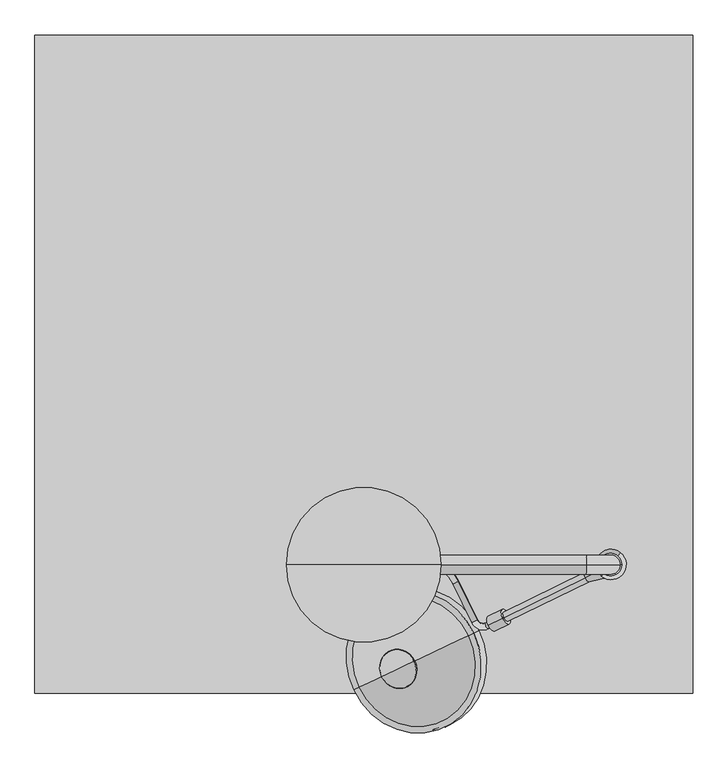
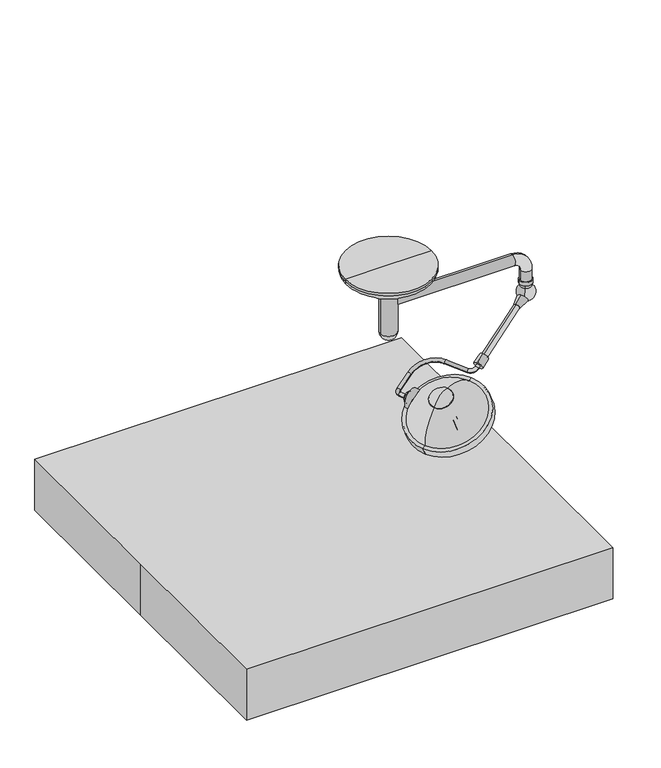
"""IFC4 building model written with IfcOpenShell, lengths in millimetres: proxy geometry."""

from ifc_helpers import new_model, si_unit, point, frame, frame_2d, origin, origin_with_axes, origin_2d, place, context, project, spatial, polyline, circle_curve, ellipse_curve, trimmed, segment, composite_curve, outline, extrude, source, transform, mapped, element, save
from ifc_brep_helpers import plane_surface, cylinder_surface, revolved_surface, advanced_brep


def specialty_equipment_4bb8b531(model_context):
    return source(origin(), model_context, "Body", "SolidModel", [
        advanced_brep(
        [(51.3241797, -908.0178384, 1699.7604265), (72.1798458, -897.8458503, 1710.0915373), (51.503984, -855.4540515, 1710.0915373), (30.6483179, -865.6260395, 1699.7604265), (56.3645035, -838.953373, 1715.2570926), (45.2298764, -816.1240043, 1715.2570926), (159.8794514, -788.4657596, 1766.5344952), (148.7448243, -765.6363908, 1766.5344952), (351.8212111, -864.410044, 1828.5211596), (372.6768772, -854.238056, 1838.8522704), (426.0821694, -1016.6675722, 1828.5211596), (446.9378356, -1006.4955842, 1838.8522704), (490.062756, -1041.9823337, 1849.1833811), (478.9281288, -1019.1529649, 1849.1833811), (557.8921303, -980.6396481, 1888.2991704), (569.0267574, -1003.4690168, 1888.2991704)],
        [
            (0, 1, circle_curve(frame((61.7520127, -902.9318443, 1704.9259819), z_axis=(0.4383711467890926, -0.8987940462991595, 0.0), x_axis=(0.8210892183528103, 0.4004719699107539, 0.4067366430758007)), 12.7)),
            (1, 0, circle_curve(frame((61.7520127, -902.9318443, 1704.9259819), z_axis=(0.4383711467890926, -0.8987940462991595, 0.0), x_axis=(0.8210892183528103, 0.4004719699107539, 0.4067366430758007)), 12.7)),
            (1, 2),
            (2, 3, circle_curve(frame((41.0761509, -860.5400455, 1704.9259819), z_axis=(0.4383711467890926, -0.8987940462991595, 0.0), x_axis=(0.8210892183528103, 0.4004719699107539, 0.4067366430758007)), 12.7)),
            (3, 0),
            (3, 2, circle_curve(frame((41.0761509, -860.5400455, 1704.9259819), z_axis=(0.4383711467890926, -0.8987940462991595, 0.0), x_axis=(0.8210892183528103, 0.4004719699107539, 0.4067366430758007)), 12.7)),
            (4, 5, circle_curve(frame((50.79719, -827.5386887, 1715.2570926), z_axis=(-0.8210892183528231, -0.4004719699107283, -0.4067366430758003), x_axis=(0.4383711467890693, -0.8987940462991713, 0.0)), 12.7)),
            (5, 3, circle_curve(frame((61.9318171, -850.3680574, 1715.2570926), z_axis=(-0.36557247320823616, -0.17830160866628347, 0.9135454576426008), x_axis=(-0.8210892183528108, -0.40047196991075346, -0.40673664307580043)), 38.1)),
            (2, 4, circle_curve(frame((61.9318171, -850.3680574, 1715.2570926), z_axis=(0.36557247320823616, 0.17830160866628347, -0.9135454576426008), x_axis=(-0.8210892183528108, -0.40047196991075346, -0.40673664307580043)), 12.7)),
            (5, 4, circle_curve(frame((50.79719, -827.5386887, 1715.2570926), z_axis=(-0.8210892183528092, -0.4004719699107566, -0.4067366430758003), x_axis=(0.43837114678909517, -0.8987940462991586, 0.0)), 12.7)),
            (4, 6),
            (6, 7, circle_curve(frame((154.3121378, -777.0510752, 1766.5344952), z_axis=(-0.8210892183528108, -0.40047196991075357, -0.40673664307580026), x_axis=(0.4383711467890922, -0.8987940462991598, 0.0)), 12.7)),
            (7, 5),
            (7, 6, circle_curve(frame((154.3121378, -777.0510752, 1766.5344952), z_axis=(-0.8210892183528108, -0.40047196991075357, -0.40673664307580026), x_axis=(0.4383711467890922, -0.8987940462991598, 0.0)), 12.7)),
            (8, 9, circle_curve(frame((362.2490441, -859.32405, 1833.686715), z_axis=(-0.4383711467890897, 0.898794046299161, 0.0), x_axis=(-0.8210892183528126, -0.40047196991075085, -0.40673664307579993)), 12.7)),
            (9, 7, circle_curve(frame((226.6872142, -925.4419722, 1766.5344952), z_axis=(-0.36557247320823616, -0.17830160866628347, 0.9135454576426008), x_axis=(-0.43837114678909817, 0.8987940462991569, 0.0)), 177.8)),
            (6, 8, circle_curve(frame((226.6872142, -925.4419722, 1766.5344952), z_axis=(0.36557247320823616, 0.17830160866628347, -0.9135454576426008), x_axis=(-0.43837114678909817, 0.8987940462991569, 0.0)), 152.4)),
            (9, 8, circle_curve(frame((362.2490441, -859.32405, 1833.686715), z_axis=(-0.43837114678909084, 0.8987940462991605, 0.0), x_axis=(-0.8210892183528119, -0.400471969910752, -0.40673664307579993)), 12.7)),
            (8, 10),
            (10, 11, circle_curve(frame((436.5100025, -1011.5815782, 1833.686715), z_axis=(-0.43837114678909095, 0.8987940462991604, 0.0), x_axis=(-0.8210892183528117, -0.400471969910752, -0.4067366430758)), 12.7)),
            (11, 9),
            (11, 10, circle_curve(frame((436.5100025, -1011.5815782, 1833.686715), z_axis=(-0.43837114678909095, 0.8987940462991604, 0.0), x_axis=(-0.8210892183528117, -0.400471969910752, -0.4067366430758)), 12.7)),
            (12, 13, circle_curve(frame((484.4954424, -1030.5676493, 1849.1833811), z_axis=(-0.8210892183528126, -0.40047196991074985, -0.4067366430758003), x_axis=(0.43837114678908895, -0.8987940462991617, 0.0)), 12.7)),
            (13, 11, circle_curve(frame((467.7935017, -996.3235961, 1849.1833811), z_axis=(0.36557247320823616, 0.17830160866628347, -0.9135454576426008), x_axis=(-0.8210892183528132, -0.40047196991074846, -0.40673664307580043)), 25.4)),
            (10, 12, circle_curve(frame((467.7935017, -996.3235961, 1849.1833811), z_axis=(-0.36557247320823616, -0.17830160866628347, 0.9135454576426008), x_axis=(-0.8210892183528132, -0.40047196991074846, -0.40673664307580043)), 50.8)),
            (13, 12, circle_curve(frame((484.4954424, -1030.5676493, 1849.1833811), z_axis=(-0.8210892183528086, -0.40047196991075806, -0.4067366430758003), x_axis=(0.43837114678909644, -0.8987940462991582, 0.0)), 12.7)),
            (14, 15, circle_curve(frame((563.4594439, -992.0543325, 1888.2991704), z_axis=(0.8210892183528123, 0.4004719699107504, 0.4067366430757997), x_axis=(0.4383711467890893, -0.8987940462991613, 0.0)), 12.7)),
            (15, 14, circle_curve(frame((563.4594439, -992.0543325, 1888.2991704), z_axis=(0.8210892183528123, 0.4004719699107504, 0.4067366430757997), x_axis=(0.4383711467890893, -0.8987940462991613, 0.0)), 12.7)),
            (12, 15),
            (14, 13),
        ],
        [
            plane_surface(frame((671.2712366, -605.6494555, 181.7710423), z_axis=(0.43837114678909284, -0.8987940462991596, 0.0), x_axis=(-0.36557247320823627, -0.17830160866628333, 0.9135454576426009))),
            cylinder_surface(frame((61.7520127, -902.9318443, 1704.9259819), z_axis=(0.4383711467890927, -0.8987940462991597, 0.0), x_axis=(0.8210892183528103, 0.4004719699107539, 0.4067366430758007)), 12.7),
            revolved_surface(trimmed(ellipse_curve(frame((41.0761509, -860.5400455, 1704.9259819), z_axis=(-0.4383711467890919, 0.8987940462991603, 0.0), x_axis=(0.8210892183528109, 0.4004719699107529, 0.4067366430758007)), 12.7, 12.7), [point((30.6483179, -865.6260395, 1699.7604265))], [point((51.503984, -855.4540515, 1710.0915373))], True, "CARTESIAN"), (671.451041, -553.0856686, 192.1021531), (-0.3655724732082362, -0.1783016086662835, 0.913545457642601)),
            revolved_surface(trimmed(ellipse_curve(frame((41.0761509, -860.5400455, 1704.9259819), z_axis=(-0.4383711467890919, 0.8987940462991603, 0.0), x_axis=(0.8210892183528109, 0.4004719699107529, 0.4067366430758007)), 12.7, 12.7), [point((51.503984, -855.4540515, 1710.0915373))], [point((30.6483179, -865.6260395, 1699.7604265))], True, "CARTESIAN"), (671.451041, -553.0856686, 192.1021531), (-0.3655724732082362, -0.1783016086662835, 0.913545457642601)),
            cylinder_surface(frame((50.79719, -827.5386887, 1715.2570926), z_axis=(-0.8210892183528108, -0.40047196991075357, -0.40673664307580026), x_axis=(0.4383711467890922, -0.8987940462991598, 0.0)), 12.7),
            revolved_surface(trimmed(ellipse_curve(frame((154.3121378, -777.0510752, 1766.5344952), z_axis=(0.821089218352808, 0.40047196991075945, 0.40673664307580043), x_axis=(0.4383711467890975, -0.8987940462991573, 0.0)), 12.7, 12.7), [point((148.7448243, -765.6363908, 1766.5344952))], [point((159.8794514, -788.4657596, 1766.5344952))], True, "CARTESIAN"), (836.2064381, -628.1595834, 243.3795556), (-0.3655724732082362, -0.1783016086662835, 0.913545457642601)),
            revolved_surface(trimmed(ellipse_curve(frame((154.3121378, -777.0510752, 1766.5344952), z_axis=(0.821089218352808, 0.40047196991075945, 0.40673664307580043), x_axis=(0.4383711467890975, -0.8987940462991573, 0.0)), 12.7, 12.7), [point((159.8794514, -788.4657596, 1766.5344952))], [point((148.7448243, -765.6363908, 1766.5344952))], True, "CARTESIAN"), (836.2064381, -628.1595834, 243.3795556), (-0.3655724732082362, -0.1783016086662835, 0.913545457642601)),
            cylinder_surface(frame((362.2490441, -859.32405, 1833.686715), z_axis=(-0.43837114678909106, 0.8987940462991606, 0.0), x_axis=(-0.8210892183528117, -0.400471969910752, -0.4067366430758)), 12.7),
            revolved_surface(trimmed(ellipse_curve(frame((436.5100025, -1011.5815782, 1833.686715), z_axis=(0.4383711467890874, -0.8987940462991625, 0.0), x_axis=(-0.8210892183528137, -0.400471969910748, -0.4067366430758)), 12.7, 12.7), [point((446.9378356, -1006.4955842, 1838.8522704))], [point((426.0821694, -1016.6675722, 1828.5211596))], True, "CARTESIAN"), (1077.3127256, -699.0412073, 326.0284415), (0.3655724732082362, 0.1783016086662835, -0.913545457642601)),
            revolved_surface(trimmed(ellipse_curve(frame((436.5100025, -1011.5815782, 1833.686715), z_axis=(0.4383711467890874, -0.8987940462991625, 0.0), x_axis=(-0.8210892183528137, -0.400471969910748, -0.4067366430758)), 12.7, 12.7), [point((426.0821694, -1016.6675722, 1828.5211596))], [point((446.9378356, -1006.4955842, 1838.8522704))], True, "CARTESIAN"), (1077.3127256, -699.0412073, 326.0284415), (0.3655724732082362, 0.1783016086662835, -0.913545457642601)),
            plane_surface(frame((1172.9786678, -694.7719436, 365.1442308), z_axis=(0.8210892183528122, 0.400471969910751, 0.4067366430757998), x_axis=(-0.3655724732082356, -0.1783016086662833, 0.9135454576426012))),
            cylinder_surface(frame((484.4954424, -1030.5676493, 1849.1833811), z_axis=(-0.8210892183528126, -0.4004719699107505, -0.4067366430757998), x_axis=(0.4383711467890893, -0.8987940462991613, 0.0)), 12.7),
        ],
        [
            (0, [[1, 2]]),
            (1, [[3, 4, 5, -2]]),
            (1, [[-5, 6, -3, -1]]),
            (2, [[7, 8, -4, 9]]),
            (3, [[10, -9, -6, -8]]),
            (4, [[11, 12, 13, -7]]),
            (4, [[-13, 14, -11, -10]]),
            (5, [[15, 16, -12, 17]]),
            (6, [[18, -17, -14, -16]]),
            (7, [[19, 20, 21, -15]]),
            (7, [[-21, 22, -19, -18]]),
            (8, [[23, 24, -20, 25]]),
            (9, [[26, -25, -22, -24]]),
            (10, [[27, 28]]),
            (11, [[29, -27, 30, -23]]),
            (11, [[-30, -28, -29, -26]]),
        ],
    ),
        advanced_brep(
        [(70.9853036, -912.17035, 1662.093259), (79.9012214, -931.0005545, 1662.093259), (79.9012214, -931.0005545, 1743.3108067), (70.9853036, -912.17035, 1743.3108067), (59.9841849, -888.936251, 1702.7020328), (79.9012214, -931.0005545, 1702.7020328)],
        [
            (0, 1),
            (1, 2, circle_curve(frame((79.9012214, -931.0005545, 1702.7020328), z_axis=(-0.4279431442574093, 0.903805656810734, 0.0), x_axis=(0.0, 0.0, 1.0)), 40.6087738)),
            (2, 3),
            (3, 0, circle_curve(frame((70.9853036, -912.17035, 1702.7020328), z_axis=(0.4279431442574093, -0.903805656810734, 0.0), x_axis=(0.0, 0.0, 1.0)), 40.6087738)),
            (2, 1, circle_curve(frame((79.9012214, -931.0005545, 1702.7020328), z_axis=(-0.4279431442574093, 0.903805656810734, 0.0), x_axis=(0.0, 0.0, 1.0)), 40.6087738)),
            (0, 3, circle_curve(frame((70.9853036, -912.17035, 1702.7020328), z_axis=(0.4279431442574093, -0.903805656810734, 0.0), x_axis=(0.0, 0.0, 1.0)), 40.6087738)),
            (4, 0, circle_curve(frame((83.4268503, -938.4465982, 1708.9387051), z_axis=(-0.9038056568107343, -0.42794314425740876, 0.0), x_axis=(0.4279431442574089, -0.9038056568107342, 0.0)), 55.1337385)),
            (3, 4, circle_curve(frame((83.4268503, -938.4465982, 1696.4653606), z_axis=(-0.9038056568107339, -0.42794314425740954, 0.0), x_axis=(0.4279431442574097, -0.9038056568107338, 0.0)), 55.1337385)),
            (1, 5),
            (5, 2),
        ],
        [
            cylinder_surface(frame((79.9012214, -931.0005545, 1702.7020328), z_axis=(-0.4279431442574093, 0.903805656810734, 0.0), x_axis=(0.0, 0.0, 1.0)), 40.6087738),
            revolved_surface(trimmed(ellipse_curve(frame((83.4268503, -938.4465982, 1696.4653606), z_axis=(-0.9038056568107339, -0.42794314425740954, 0.0), x_axis=(0.4279431442574097, -0.9038056568107338, 0.0)), 55.1337385, 55.1337385), [point((70.9853036, -912.17035, 1743.3108067))], [point((59.9841849, -888.936251, 1702.7020328))], True, "CARTESIAN"), (79.9012214, -931.0005545, 1702.7020328), (-0.4279431442574093, 0.903805656810734, 0.0)),
            revolved_surface(trimmed(ellipse_curve(frame((83.4268503, -938.4465982, 1696.4653606), z_axis=(-0.9038056568107339, -0.4279431442574097, 0.0), x_axis=(0.42794314425740987, -0.9038056568107338, 0.0)), 55.1337385, 55.1337385), [point((70.9853036, -912.17035, 1743.3108067))], [point((59.9841849, -888.936251, 1702.7020328))], True, "CARTESIAN"), (79.9012214, -931.0005545, 1702.7020328), (-0.4279431442574093, 0.903805656810734, 0.0)),
            plane_surface(frame((79.9012214, -931.0005545, 1702.7020328), z_axis=(0.42794314425740915, -0.9038056568107341, 0.0), x_axis=(0.0, 0.0, 1.0))),
        ],
        [
            (0, [[1, 2, 3, 4]]),
            (0, [[-3, 5, -1, 6]]),
            (1, [[7, -4, 8]]),
            (2, [[-8, -6, -7]]),
            (3, [[9, 10, -2]]),
            (3, [[-10, -9, -5]]),
        ],
    ),
        advanced_brep(
        [(198.2891405, -1170.0305938, 1882.6946884), (123.8504881, -1205.2765681, 1877.268084), (70.3964825, -1230.5865173, 1819.6927814), (200.9060117, -1168.7915308, 1880.0876662), (70.3964825, -1230.5865173, 1815.7966478), (129.8474904, -1202.4370461, 1862.3650044)],
        [
            (0, 1, circle_curve(frame((172.8421817, -1182.07948, 1682.2916913), z_axis=(0.4279431442574066, -0.9038056568107353, 0.0), x_axis=(-0.6047640271723351, -0.28634985560407467, -0.7431448254773929)), 202.3711557)),
            (1, 2, circle_curve(frame((222.0261973, -1158.7913294, 1706.5205002), z_axis=(0.42794314425740937, -0.903805656810734, 0.0), x_axis=(0.903805656810734, 0.4279431442574095, 0.0)), 202.3711557)),
            (2, 0, circle_curve(frame((134.3428115, -1200.3085555, 1851.1937349), z_axis=(-0.367610878844116, -0.17406015792256127, 0.9135454576426013), x_axis=(-0.825667552371134, -0.3909455155656486, -0.4067366430757995)), 77.4480344)),
            (0, 2, circle_curve(frame((134.3428115, -1200.3085555, 1851.1937349), z_axis=(-0.367610878844116, -0.17406015792256127, 0.9135454576426013), x_axis=(-0.825667552371134, -0.3909455155656486, -0.4067366430757995)), 77.4480344)),
            (3, 0),
            (2, 4),
            (4, 3, circle_curve(frame((135.6512471, -1199.689024, 1847.942157), z_axis=(-0.367610878844116, -0.17406015792256127, 0.9135454576426013), x_axis=(-0.825667552371134, -0.3909455155656486, -0.4067366430757995)), 79.0327347)),
            (3, 4, circle_curve(frame((135.6512471, -1199.689024, 1847.942157), z_axis=(-0.367610878844116, -0.17406015792256127, 0.9135454576426013), x_axis=(-0.825667552371134, -0.3909455155656486, -0.4067366430757995)), 79.0327347)),
            (5, 3, circle_curve(frame((221.2532479, -1159.1573133, 1596.9639329), z_axis=(-0.4279431442574066, 0.9038056568107353, 0.0), x_axis=(-0.6047640271723351, -0.28634985560407467, -0.7431448254773929)), 284.0173877)),
            (4, 5, circle_curve(frame((246.9439851, -1146.9930004, 1609.6195886), z_axis=(-0.42794314425740937, 0.903805656810734, 0.0), x_axis=(0.903805656810734, 0.4279431442574095, 0.0)), 284.0173877)),
        ],
        [
            revolved_surface(trimmed(ellipse_curve(frame((222.0261973, -1158.7913294, 1706.5205002), z_axis=(0.42794314425740937, -0.903805656810734, 0.0), x_axis=(0.903805656810734, 0.4279431442574095, 0.0)), 202.3711557, 202.3711557), [point((123.8504881, -1205.2765681, 1877.268084))], [point((70.3964825, -1230.5865173, 1819.6927814))], True, "CARTESIAN"), (169.8512246, -1183.495669, 1762.9521965), (0.367610878844116, 0.17406015792256127, -0.9135454576426013)),
            revolved_surface(trimmed(ellipse_curve(frame((222.0261973, -1158.7913294, 1706.5205002), z_axis=(0.42794314425740965, -0.9038056568107342, 0.0), x_axis=(0.903805656810734, 0.4279431442574096, 0.0)), 202.3711557, 202.3711557), [point((123.8504881, -1205.2765681, 1877.268084))], [point((70.3964825, -1230.5865173, 1819.6927814))], True, "CARTESIAN"), (169.8512246, -1183.495669, 1762.9521965), (0.367610878844116, 0.17406015792256127, -0.9135454576426013)),
            revolved_surface(polyline([(70.3964825, -1230.5865173, 1819.6927814), (70.3964825, -1230.5865173, 1815.7966478)]), (169.8512246, -1183.495669, 1762.9521965), (0.367610878844116, 0.17406015792256127, -0.9135454576426013)),
            revolved_surface(trimmed(ellipse_curve(frame((246.9439851, -1146.9930004, 1609.6195886), z_axis=(-0.42794314425740937, 0.903805656810734, 0.0), x_axis=(0.903805656810734, 0.4279431442574095, 0.0)), 284.0173877, 284.0173877), [point((70.3964825, -1230.5865173, 1815.7966478))], [point((129.8474904, -1202.4370461, 1862.3650044))], True, "CARTESIAN"), (169.8512246, -1183.495669, 1762.9521965), (0.367610878844116, 0.17406015792256127, -0.9135454576426013)),
            revolved_surface(trimmed(ellipse_curve(frame((246.9439851, -1146.9930004, 1609.6195886), z_axis=(-0.42794314425740965, 0.9038056568107342, 0.0), x_axis=(0.903805656810734, 0.4279431442574096, 0.0)), 284.0173877, 284.0173877), [point((70.3964825, -1230.5865173, 1815.7966478))], [point((129.8474904, -1202.4370461, 1862.3650044))], True, "CARTESIAN"), (169.8512246, -1183.495669, 1762.9521965), (0.367610878844116, 0.17406015792256127, -0.9135454576426013)),
        ],
        [
            (0, [[1, 2, 3]]),
            (1, [[-2, -1, 4]]),
            (2, [[5, -3, 6, 7]]),
            (2, [[-6, -4, -5, 8]]),
            (3, [[9, -7, 10]]),
            (4, [[-10, -8, -9]]),
        ],
    ),
        advanced_brep(
        [(266.4821549, -1137.741868, 1522.8158117), (255.996177, -1142.7068761, 1517.6502563), (276.9681328, -1132.77686, 1527.9813671), (263.0629437, -1139.3608311, 1507.6425198), (271.0121339, -1135.5969672, 1511.5584142), (278.9613242, -1131.8331033, 1515.4743086)],
        [
            (0, 1),
            (1, 2, circle_curve(frame((266.4821549, -1137.741868, 1522.8158117), z_axis=(-0.3676108788441159, -0.1740601579225613, 0.9135454576426013), x_axis=(0.825667552371134, 0.3909455155656486, 0.40673664307579943)), 12.7)),
            (2, 0),
            (2, 1, circle_curve(frame((266.4821549, -1137.741868, 1522.8158117), z_axis=(-0.3676108788441159, -0.1740601579225613, 0.9135454576426013), x_axis=(0.825667552371134, 0.3909455155656486, 0.40673664307579943)), 12.7)),
            (3, 4),
            (4, 5),
            (5, 3, circle_curve(frame((271.0121339, -1135.5969672, 1511.5584142), z_axis=(0.3676108788441159, 0.1740601579225613, -0.9135454576426013), x_axis=(0.825667552371134, 0.3909455155656486, 0.40673664307579943)), 9.6275919)),
            (3, 5, circle_curve(frame((271.0121339, -1135.5969672, 1511.5584142), z_axis=(0.3676108788441159, 0.1740601579225613, -0.9135454576426013), x_axis=(0.825667552371134, 0.3909455155656486, 0.40673664307579943)), 9.6275919)),
            (1, 3),
            (5, 2),
        ],
        [
            plane_surface(frame((266.4821549, -1137.741868, 1522.8158117), z_axis=(-0.367610878844116, -0.17406015792256121, 0.9135454576426014), x_axis=(0.8256675523711339, 0.39094551556564855, 0.4067366430757994))),
            plane_surface(frame((271.0121339, -1135.5969672, 1511.5584142), z_axis=(0.367610878844116, 0.17406015792256121, -0.9135454576426014), x_axis=(0.8256675523711339, 0.39094551556564855, 0.4067366430757994))),
            revolved_surface(polyline([(278.9613242, -1131.8331033, 1515.4743086), (276.9681328, -1132.77686, 1527.9813671)]), (229.1328896, -1155.4263801, 1615.6320302), (-0.3676108788441159, -0.1740601579225613, 0.9135454576426013)),
        ],
        [
            (0, [[1, 2, 3]]),
            (0, [[-3, 4, -1]]),
            (1, [[5, 6, 7]]),
            (1, [[-6, -5, 8]]),
            (2, [[9, -7, 10, -2]]),
            (2, [[-10, -8, -9, -4]]),
        ],
    ),
        advanced_brep(
        [(229.1328896, -1155.4263801, 1615.6320302), (213.4039227, -1162.8738921, 1607.8836971), (244.8618565, -1147.978868, 1623.3803632), (250.753188, -1145.1893801, 1515.0674786), (266.4821549, -1137.741868, 1522.8158117), (282.2111217, -1130.2943559, 1530.5641447)],
        [
            (0, 1),
            (1, 2, circle_curve(frame((229.1328896, -1155.4263801, 1615.6320302), z_axis=(-0.3676108788441159, -0.1740601579225613, 0.9135454576426013), x_axis=(0.825667552371134, 0.3909455155656486, 0.40673664307579943)), 19.05)),
            (2, 0),
            (2, 1, circle_curve(frame((229.1328896, -1155.4263801, 1615.6320302), z_axis=(-0.3676108788441159, -0.1740601579225613, 0.9135454576426013), x_axis=(0.825667552371134, 0.3909455155656486, 0.40673664307579943)), 19.05)),
            (3, 4),
            (4, 5),
            (5, 3, circle_curve(frame((266.4821549, -1137.741868, 1522.8158117), z_axis=(0.3676108788441159, 0.1740601579225613, -0.9135454576426013), x_axis=(0.825667552371134, 0.3909455155656486, 0.40673664307579943)), 19.05)),
            (3, 5, circle_curve(frame((266.4821549, -1137.741868, 1522.8158117), z_axis=(0.3676108788441159, 0.1740601579225613, -0.9135454576426013), x_axis=(0.825667552371134, 0.3909455155656486, 0.40673664307579943)), 19.05)),
            (1, 3),
            (5, 2),
        ],
        [
            plane_surface(frame((229.1328896, -1155.4263801, 1615.6320302), z_axis=(-0.367610878844116, -0.17406015792256121, 0.9135454576426014), x_axis=(0.8256675523711339, 0.39094551556564855, 0.4067366430757994))),
            plane_surface(frame((266.4821549, -1137.741868, 1522.8158117), z_axis=(0.367610878844116, 0.17406015792256121, -0.9135454576426014), x_axis=(0.8256675523711339, 0.39094551556564855, 0.4067366430757994))),
            cylinder_surface(frame((229.1328896, -1155.4263801, 1615.6320302), z_axis=(-0.3676108788441159, -0.1740601579225613, 0.9135454576426013), x_axis=(0.825667552371134, 0.3909455155656486, 0.40673664307579943)), 19.05),
        ],
        [
            (0, [[1, 2, 3]]),
            (0, [[-3, 4, -1]]),
            (1, [[5, 6, 7]]),
            (1, [[-6, -5, 8]]),
            (2, [[9, -7, 10, -2]]),
            (2, [[-10, -8, -9, -4]]),
        ],
    ),
        advanced_brep(
        [(222.1299023, -1158.7422261, 1633.0350712), (185.4289796, -1176.1197542, 1614.9556274), (258.830825, -1141.3646979, 1651.1145149), (192.4319669, -1172.8039082, 1597.5525864), (229.1328896, -1155.4263801, 1615.6320302), (265.8338123, -1138.0488519, 1633.711474)],
        [
            (0, 1),
            (1, 2, circle_curve(frame((222.1299023, -1158.7422261, 1633.0350712), z_axis=(-0.36761087884411536, -0.17406015792256102, 0.9135454576426016), x_axis=(0.8256675523711342, 0.3909455155656487, 0.4067366430757988)), 44.45)),
            (2, 0),
            (2, 1, circle_curve(frame((222.1299023, -1158.7422261, 1633.0350712), z_axis=(-0.36761087884411536, -0.17406015792256102, 0.9135454576426016), x_axis=(0.8256675523711342, 0.3909455155656487, 0.4067366430757988)), 44.45)),
            (3, 4),
            (4, 5),
            (5, 3, circle_curve(frame((229.1328896, -1155.4263801, 1615.6320302), z_axis=(0.36761087884411536, 0.17406015792256102, -0.9135454576426016), x_axis=(0.8256675523711342, 0.3909455155656487, 0.4067366430757988)), 44.45)),
            (3, 5, circle_curve(frame((229.1328896, -1155.4263801, 1615.6320302), z_axis=(0.36761087884411536, 0.17406015792256102, -0.9135454576426016), x_axis=(0.8256675523711342, 0.3909455155656487, 0.4067366430757988)), 44.45)),
            (1, 3),
            (5, 2),
        ],
        [
            plane_surface(frame((222.1299023, -1158.7422261, 1633.0350712), z_axis=(-0.3676108788441154, -0.17406015792256094, 0.9135454576426016), x_axis=(0.8256675523711341, 0.39094551556564866, 0.40673664307579876))),
            plane_surface(frame((229.1328896, -1155.4263801, 1615.6320302), z_axis=(0.3676108788441154, 0.17406015792256094, -0.9135454576426016), x_axis=(0.8256675523711341, 0.39094551556564866, 0.40673664307579876))),
            cylinder_surface(frame((222.1299023, -1158.7422261, 1633.0350712), z_axis=(-0.36761087884411536, -0.17406015792256102, 0.9135454576426016), x_axis=(0.8256675523711342, 0.3909455155656487, 0.4067366430757988)), 44.45),
        ],
        [
            (0, [[1, 2, 3]]),
            (0, [[-3, 4, -1]]),
            (1, [[5, 6, 7]]),
            (1, [[-6, -5, 8]]),
            (2, [[9, -7, 10, -2]]),
            (2, [[-10, -8, -9, -4]]),
        ],
    ),
        advanced_brep(
        [(217.8648709, -1160.7616768, 1643.6340505), (170.6779703, -1183.104213, 1620.3890514), (265.0517715, -1138.4191406, 1666.8790497), (179.2080332, -1179.0653116, 1611.8910927), (222.1299023, -1158.7422261, 1633.0350712), (265.0517715, -1138.4191406, 1654.1790497)],
        [
            (0, 1),
            (1, 2, circle_curve(frame((217.8648709, -1160.7616768, 1643.6340505), z_axis=(-0.36761087884411614, -0.1740601579225614, 0.9135454576426012), x_axis=(0.8256675523711339, 0.39094551556564855, 0.4067366430757997)), 57.15)),
            (2, 0),
            (2, 1, circle_curve(frame((217.8648709, -1160.7616768, 1643.6340505), z_axis=(-0.36761087884411614, -0.1740601579225614, 0.9135454576426012), x_axis=(0.8256675523711339, 0.39094551556564855, 0.4067366430757997)), 57.15)),
            (3, 4),
            (4, 5),
            (5, 3, circle_curve(frame((222.1299023, -1158.7422261, 1633.0350712), z_axis=(0.36761087884411614, 0.1740601579225614, -0.9135454576426012), x_axis=(0.8256675523711339, 0.39094551556564855, 0.4067366430757997)), 51.9844446)),
            (3, 5, circle_curve(frame((222.1299023, -1158.7422261, 1633.0350712), z_axis=(0.36761087884411614, 0.1740601579225614, -0.9135454576426012), x_axis=(0.8256675523711339, 0.39094551556564855, 0.4067366430757997)), 51.9844446)),
            (1, 3),
            (5, 2),
        ],
        [
            plane_surface(frame((217.8648709, -1160.7616768, 1643.6340505), z_axis=(-0.36761087884411625, -0.17406015792256133, 0.9135454576426013), x_axis=(0.8256675523711338, 0.3909455155656485, 0.40673664307579965))),
            plane_surface(frame((222.1299023, -1158.7422261, 1633.0350712), z_axis=(0.36761087884411625, 0.17406015792256133, -0.9135454576426013), x_axis=(0.8256675523711338, 0.3909455155656485, 0.40673664307579965))),
            revolved_surface(polyline([(265.0517715, -1138.4191406, 1654.1790497), (265.0517715, -1138.4191406, 1666.8790497)]), (217.8648709, -1160.7616768, 1643.6340505), (-0.36761087884411614, -0.1740601579225614, 0.9135454576426012)),
        ],
        [
            (0, [[1, 2, 3]]),
            (0, [[-3, 4, -1]]),
            (1, [[5, 6, 7]]),
            (1, [[-6, -5, 8]]),
            (2, [[9, -7, 10, -2]]),
            (2, [[-10, -8, -9, -4]]),
        ],
    ),
        extrude(outline(composite_curve([segment(trimmed(circle_curve(frame_2d((0.0, 69.9387006)), 69.9387006), [point((-25.1937137, 4.6953206))], [point((31.6273953, 132.3176211))], False, "CARTESIAN"), True, "CONTINUOUS"), segment(polyline([(31.6273953, 132.3176211), (-25.1937137, 4.6953206)]), True, "CONTINUOUS")], self_intersect=False)), frame((180.69854, -976.5021254, 1699.0600142), z_axis=(-0.42794314425740915, 0.9038056568107341, 0.0), x_axis=(0.0, 0.0, -1.0)), (0.0, 0.0, 1.0), 84.2600986),
        advanced_brep(
        [(411.8184564, -1068.9265498, 1801.7370584), (129.8408016, -1202.4402132, 1862.3816266), (-18.1066381, -1272.4918798, 1589.9492884), (406.0906916, -1071.6385905, 1798.9154726), (-12.3788733, -1269.7798391, 1592.7708742), (132.17953, -1201.3328482, 1856.5696802)],
        [
            (0, 1, circle_curve(frame((226.1466857, -1156.8403184, 1577.7194701), z_axis=(0.4279431442574066, -0.9038056568107353, 0.0), x_axis=(-0.6047640271723351, -0.2863498556040747, -0.7431448254773931)), 303.9518334)),
            (1, 2, circle_curve(frame((256.5953432, -1142.4231767, 1592.718951), z_axis=(0.4279431442574095, -0.903805656810734, 0.0), x_axis=(0.9038056568107341, 0.4279431442574096, 0.0)), 303.9518334)),
            (2, 0, circle_curve(frame((196.8559092, -1170.7092148, 1695.8431734), z_axis=(-0.3676108788441161, -0.17406015792256135, 0.9135454576426013), x_axis=(-0.825667552371134, -0.3909455155656486, -0.4067366430757996)), 260.35)),
            (0, 2, circle_curve(frame((196.8559092, -1170.7092148, 1695.8431734), z_axis=(-0.3676108788441161, -0.17406015792256135, 0.9135454576426013), x_axis=(-0.825667552371134, -0.3909455155656486, -0.4067366430757996)), 260.35)),
            (3, 0),
            (2, 4),
            (4, 3, circle_curve(frame((196.8559092, -1170.7092148, 1695.8431734), z_axis=(-0.3676108788441161, -0.17406015792256135, 0.9135454576426013), x_axis=(-0.825667552371134, -0.3909455155656486, -0.4067366430757996)), 253.412868)),
            (3, 4, circle_curve(frame((196.8559092, -1170.7092148, 1695.8431734), z_axis=(-0.3676108788441161, -0.17406015792256135, 0.9135454576426013), x_axis=(-0.825667552371134, -0.3909455155656486, -0.4067366430757996)), 253.412868)),
            (5, 3, circle_curve(frame((226.1466857, -1156.8403184, 1577.7194701), z_axis=(-0.4279431442574066, 0.9038056568107353, 0.0), x_axis=(-0.6047640271723351, -0.2863498556040747, -0.7431448254773931)), 297.6018334)),
            (4, 5, circle_curve(frame((256.5953432, -1142.4231767, 1592.718951), z_axis=(-0.4279431442574095, 0.903805656810734, 0.0), x_axis=(0.9038056568107341, 0.4279431442574096, 0.0)), 297.6018334)),
        ],
        [
            revolved_surface(trimmed(ellipse_curve(frame((256.5953432, -1142.4231767, 1592.718951), z_axis=(0.4279431442574095, -0.903805656810734, 0.0), x_axis=(0.9038056568107341, 0.4279431442574096, 0.0)), 303.9518334, 303.9518334), [point((129.8408016, -1202.4402132, 1862.3816266))], [point((-18.1066381, -1272.4918798, 1589.9492884))], True, "CARTESIAN"), (196.8559092, -1170.7092148, 1695.8431734), (0.3676108788441161, 0.17406015792256135, -0.9135454576426013)),
            revolved_surface(trimmed(ellipse_curve(frame((256.5953432, -1142.4231767, 1592.718951), z_axis=(0.4279431442574094, -0.9038056568107338, 0.0), x_axis=(0.9038056568107341, 0.42794314425740954, 0.0)), 303.9518334, 303.9518334), [point((129.8408016, -1202.4402132, 1862.3816266))], [point((-18.1066381, -1272.4918798, 1589.9492884))], True, "CARTESIAN"), (196.8559092, -1170.7092148, 1695.8431734), (0.3676108788441161, 0.17406015792256135, -0.9135454576426013)),
            plane_surface(frame((196.8559092, -1170.7092148, 1695.8431734), z_axis=(0.36761087884411614, 0.17406015792256127, -0.9135454576426014), x_axis=(-0.8256675523711339, -0.39094551556564855, -0.40673664307579954))),
            revolved_surface(trimmed(ellipse_curve(frame((256.5953432, -1142.4231767, 1592.718951), z_axis=(-0.4279431442574095, 0.903805656810734, 0.0), x_axis=(0.9038056568107341, 0.4279431442574096, 0.0)), 297.6018334, 297.6018334), [point((-12.3788733, -1269.7798391, 1592.7708742))], [point((132.17953, -1201.3328482, 1856.5696802))], True, "CARTESIAN"), (196.8559092, -1170.7092148, 1695.8431734), (0.3676108788441161, 0.17406015792256135, -0.9135454576426013)),
            revolved_surface(trimmed(ellipse_curve(frame((256.5953432, -1142.4231767, 1592.718951), z_axis=(-0.4279431442574094, 0.9038056568107338, 0.0), x_axis=(0.9038056568107341, 0.42794314425740954, 0.0)), 297.6018334, 297.6018334), [point((-12.3788733, -1269.7798391, 1592.7708742))], [point((132.17953, -1201.3328482, 1856.5696802))], True, "CARTESIAN"), (196.8559092, -1170.7092148, 1695.8431734), (0.3676108788441161, 0.17406015792256135, -0.9135454576426013)),
        ],
        [
            (0, [[1, 2, 3]]),
            (1, [[-2, -1, 4]]),
            (2, [[5, -3, 6, 7]]),
            (2, [[-6, -4, -5, 8]]),
            (3, [[9, -7, 10]]),
            (4, [[-10, -8, -9]]),
        ],
    ),
        advanced_brep(
        [(453.799374, -1049.0489957, 1759.8590463), (432.7904123, -1058.9965337, 1812.0681692), (-39.0785939, -1282.4218959, 1579.6181777), (-18.0696322, -1272.4743578, 1527.4090547), (448.556385, -1051.5314997, 1757.2762686), (-12.8266432, -1269.9918538, 1529.9918324), (429.8817524, -1060.3737557, 1803.6843778), (-31.5012759, -1278.8341098, 1576.3999417), (199.1902382, -1169.6039328, 1690.0421598), (196.8559092, -1170.7092148, 1695.8431734)],
        [
            (0, 1),
            (1, 2, circle_curve(frame((196.8559092, -1170.7092148, 1695.8431734), z_axis=(0.3676108788441158, 0.1740601579225612, -0.9135454576426014), x_axis=(-0.8256675523711341, -0.39094551556564866, -0.4067366430757993)), 285.75)),
            (2, 3),
            (3, 0, circle_curve(frame((217.8648709, -1160.7616768, 1643.6340505), z_axis=(-0.3676108788441158, -0.1740601579225612, 0.9135454576426014), x_axis=(-0.8256675523711341, -0.39094551556564866, -0.4067366430757993)), 285.75)),
            (2, 1, circle_curve(frame((196.8559092, -1170.7092148, 1695.8431734), z_axis=(0.3676108788441158, 0.1740601579225612, -0.9135454576426014), x_axis=(-0.8256675523711341, -0.39094551556564866, -0.4067366430757993)), 285.75)),
            (0, 3, circle_curve(frame((217.8648709, -1160.7616768, 1643.6340505), z_axis=(-0.3676108788441158, -0.1740601579225612, 0.9135454576426014), x_axis=(-0.8256675523711341, -0.39094551556564866, -0.4067366430757993)), 285.75)),
            (4, 0),
            (3, 5),
            (5, 4, circle_curve(frame((217.8648709, -1160.7616768, 1643.6340505), z_axis=(-0.3676108788441158, -0.1740601579225612, 0.9135454576426014), x_axis=(-0.8256675523711341, -0.39094551556564866, -0.4067366430757993)), 279.4)),
            (4, 5, circle_curve(frame((217.8648709, -1160.7616768, 1643.6340505), z_axis=(-0.3676108788441158, -0.1740601579225612, 0.9135454576426014), x_axis=(-0.8256675523711341, -0.39094551556564866, -0.4067366430757993)), 279.4)),
            (6, 4),
            (5, 7),
            (7, 6, circle_curve(frame((199.1902382, -1169.6039328, 1690.0421598), z_axis=(-0.3676108788441158, -0.1740601579225612, 0.9135454576426014), x_axis=(-0.8256675523711341, -0.39094551556564866, -0.4067366430757993)), 279.4)),
            (6, 7, circle_curve(frame((199.1902382, -1169.6039328, 1690.0421598), z_axis=(-0.3676108788441158, -0.1740601579225612, 0.9135454576426014), x_axis=(-0.8256675523711341, -0.39094551556564866, -0.4067366430757993)), 279.4)),
            (8, 6),
            (7, 8),
            (1, 9),
            (9, 2),
        ],
        [
            cylinder_surface(frame((217.8648709, -1160.7616768, 1643.6340505), z_axis=(0.3676108788441158, 0.1740601579225612, -0.9135454576426014), x_axis=(-0.8256675523711341, -0.39094551556564866, -0.4067366430757993)), 285.75),
            plane_surface(frame((217.8648709, -1160.7616768, 1643.6340505), z_axis=(0.3676108788441158, 0.17406015792256113, -0.9135454576426014), x_axis=(-0.8256675523711339, -0.39094551556564855, -0.4067366430757992))),
            revolved_surface(polyline([(-12.826643216696848, -1269.991853841562, 1529.9918323853622), (-31.501275901114123, -1278.8341098825588, 1576.3999417308632)]), (217.8648709, -1160.7616768, 1643.6340505), (0.3676108788441158, 0.1740601579225612, -0.9135454576426014)),
            plane_surface(frame((199.1902382, -1169.6039328, 1690.0421598), z_axis=(0.3676108788441158, 0.17406015792256113, -0.9135454576426014), x_axis=(-0.8256675523711339, -0.39094551556564855, -0.4067366430757992))),
            plane_surface(frame((196.8559092, -1170.7092148, 1695.8431734), z_axis=(-0.3676108788441158, -0.17406015792256113, 0.9135454576426014), x_axis=(-0.8256675523711339, -0.39094551556564855, -0.4067366430757992))),
        ],
        [
            (0, [[1, 2, 3, 4]]),
            (0, [[-3, 5, -1, 6]]),
            (1, [[7, -4, 8, 9]]),
            (1, [[-8, -6, -7, 10]]),
            (2, [[11, -9, 12, 13]]),
            (2, [[-12, -10, -11, 14]]),
            (3, [[15, -13, 16]]),
            (3, [[-16, -14, -15]]),
            (4, [[17, 18, -2]]),
            (4, [[-18, -17, -5]]),
        ],
    ),
        advanced_brep(
        [(571.2157425, -988.2713329, 1857.3919398), (559.1556073, -994.1534538, 1886.167212), (547.0954721, -1000.0355748, 1914.9424843), (514.3170471, -1016.0226809, 1827.8720542), (490.1967767, -1027.7869228, 1885.4225987), (502.2569119, -1021.9048018, 1856.6473264)],
        [
            (0, 1),
            (1, 2),
            (2, 0, circle_curve(frame((559.1556073, -994.1534538, 1886.167212), z_axis=(0.8145840431031092, 0.39729918394713865, 0.42261826174069883), x_axis=(-0.3798467775098406, -0.18526365205328194, 0.9063077870366504)), 31.75)),
            (0, 2, circle_curve(frame((559.1556073, -994.1534538, 1886.167212), z_axis=(0.8145840431031092, 0.39729918394713865, 0.42261826174069883), x_axis=(-0.3798467775098406, -0.18526365205328194, 0.9063077870366504)), 31.75)),
            (3, 0),
            (2, 4),
            (4, 3, circle_curve(frame((502.2569119, -1021.9048018, 1856.6473264), z_axis=(0.8145840431031092, 0.39729918394713865, 0.42261826174069883), x_axis=(-0.3798467775098406, -0.18526365205328194, 0.9063077870366504)), 31.75)),
            (3, 4, circle_curve(frame((502.2569119, -1021.9048018, 1856.6473264), z_axis=(0.8145840431031092, 0.39729918394713865, 0.42261826174069883), x_axis=(-0.3798467775098406, -0.18526365205328194, 0.9063077870366504)), 31.75)),
            (5, 3),
            (4, 5),
        ],
        [
            plane_surface(frame((559.1556073, -994.1534538, 1886.167212), z_axis=(0.8145840431031093, 0.39729918394713865, 0.42261826174069883), x_axis=(-0.3798467775098406, -0.18526365205328194, 0.9063077870366504))),
            cylinder_surface(frame((559.1556073, -994.1534538, 1886.167212), z_axis=(-0.8145840431031092, -0.39729918394713865, -0.42261826174069883), x_axis=(-0.3798467775098406, -0.18526365205328194, 0.9063077870366504)), 31.75),
            plane_surface(frame((502.2569119, -1021.9048018, 1856.6473264), z_axis=(-0.8145840431031093, -0.39729918394713865, -0.42261826174069883), x_axis=(-0.3798467775098406, -0.18526365205328194, 0.9063077870366504))),
        ],
        [
            (0, [[1, 2, 3]]),
            (0, [[-2, -1, 4]]),
            (1, [[5, -3, 6, 7]]),
            (1, [[-6, -4, -5, 8]]),
            (2, [[9, -7, 10]]),
            (2, [[-10, -8, -9]]),
        ],
    ),
        extrude(outline(composite_curve([segment(trimmed(circle_curve(origin_2d(), 20.2288163), [point((0.0, 20.2288164))], [point((0.0, -20.2288163))], False, "CARTESIAN"), True, "CONTINUOUS"), segment(trimmed(circle_curve(origin_2d(), 20.2288163), [point((0.0, -20.2288163))], [point((0.0, 20.2288164))], False, "CARTESIAN"), True, "CONTINUOUS")], self_intersect=False)), frame((559.1556073, -994.1534538, 1886.167212), z_axis=(0.8145840431031093, 0.3972991839471386, 0.4226182617406987), x_axis=(-0.43837114678908984, 0.8987940462991609, 0.0)), (0.0, 0.0, 1.0), 393.7),
        advanced_brep(
        [(940.9549717, -807.9374615, 2081.4066897), (928.0978809, -814.2082837, 2115.1067436), (953.8120625, -801.6666393, 2047.7066358), (872.3231351, -841.4114448, 2072.3001347), (879.8573451, -837.7367651, 2052.5520217), (887.391555, -834.0620854, 2032.8039086)],
        [
            (0, 1),
            (1, 2, circle_curve(frame((940.9549717, -807.9374615, 2081.4066897), z_axis=(0.827344281872535, 0.4035227682328693, 0.3907311284892741), x_axis=(0.35118681198991203, 0.17128525288203836, -0.9205048534524403)), 36.6104033)),
            (2, 0),
            (2, 1, circle_curve(frame((940.9549717, -807.9374615, 2081.4066897), z_axis=(0.827344281872535, 0.4035227682328693, 0.3907311284892741), x_axis=(0.35118681198991203, 0.17128525288203836, -0.9205048534524403)), 36.6104033)),
            (3, 4),
            (4, 5),
            (5, 3, circle_curve(frame((879.8573451, -837.7367651, 2052.5520217), z_axis=(-0.827344281872535, -0.4035227682328693, -0.3907311284892741), x_axis=(0.35118681198991203, 0.17128525288203836, -0.9205048534524403)), 21.4535676)),
            (3, 5, circle_curve(frame((879.8573451, -837.7367651, 2052.5520217), z_axis=(-0.827344281872535, -0.4035227682328693, -0.3907311284892741), x_axis=(0.35118681198991203, 0.17128525288203836, -0.9205048534524403)), 21.4535676)),
            (1, 3),
            (5, 2),
        ],
        [
            plane_surface(frame((940.9549717, -807.9374615, 2081.4066897), z_axis=(0.827344281872535, 0.4035227682328693, 0.39073112848927416), x_axis=(0.35118681198991203, 0.17128525288203836, -0.9205048534524403))),
            plane_surface(frame((879.8573451, -837.7367651, 2052.5520217), z_axis=(-0.827344281872535, -0.4035227682328693, -0.39073112848927416), x_axis=(0.35118681198991203, 0.17128525288203836, -0.9205048534524403))),
            revolved_surface(polyline([(887.391555, -834.0620854, 2032.8039086), (953.8120625, -801.6666393, 2047.7066358)]), (921.8864346, -817.2378085, 2072.401163), (0.827344281872535, 0.4035227682328693, 0.3907311284892741)),
        ],
        [
            (0, [[1, 2, 3]]),
            (0, [[-3, 4, -1]]),
            (1, [[5, 6, 7]]),
            (1, [[-6, -5, 8]]),
            (2, [[9, -7, 10, -2]]),
            (2, [[-10, -8, -9, -4]]),
        ],
    ),
        advanced_brep(
        [(973.5341458, -788.4695301, 2175.962195), (997.5112527, -758.860269, 2175.962195), (949.5570389, -818.0787912, 2175.962195), (997.5112527, -758.860269, 2150.1869575), (973.5341458, -788.4695301, 2044.1286543), (949.5570389, -818.0787912, 2150.1869575)],
        [
            (0, 1),
            (1, 2, circle_curve(frame((973.5341458, -788.4695301, 2175.962195), z_axis=(0.0, 0.0, 1.0), x_axis=(-0.6293203910498301, -0.777145961456977, 0.0)), 38.1)),
            (2, 0),
            (2, 1, circle_curve(frame((973.5341458, -788.4695301, 2175.962195), z_axis=(0.0, 0.0, 1.0), x_axis=(-0.6293203910498301, -0.777145961456977, 0.0)), 38.1)),
            (3, 4, circle_curve(frame((973.5341458, -788.4695301, 2104.0012588), z_axis=(-0.7771459614569791, 0.6293203910498274, 0.0), x_axis=(0.6293203910498274, 0.7771459614569791, 0.0)), 59.8726045)),
            (4, 5, circle_curve(frame((973.5341458, -788.4695301, 2104.0012588), z_axis=(-0.7771459614569771, 0.62932039104983, 0.0), x_axis=(-0.62932039104983, -0.7771459614569771, 0.0)), 59.8726045)),
            (5, 3, circle_curve(frame((973.5341458, -788.4695301, 2150.1869575), z_axis=(0.0, 0.0, -1.0), x_axis=(-0.6293203910498301, -0.777145961456977, 0.0)), 38.1)),
            (3, 5, circle_curve(frame((973.5341458, -788.4695301, 2150.1869575), z_axis=(0.0, 0.0, -1.0), x_axis=(-0.6293203910498301, -0.777145961456977, 0.0)), 38.1)),
            (1, 3),
            (5, 2),
        ],
        [
            plane_surface(frame((973.5341458, -788.4695301, 2175.962195), z_axis=(0.0, 0.0, 1.0000000000000002), x_axis=(-0.6293203910498301, -0.777145961456977, 0.0))),
            revolved_surface(trimmed(ellipse_curve(frame((973.5341458, -788.4695301, 2104.0012588), z_axis=(-0.7771459614569771, 0.62932039104983, 0.0), x_axis=(-0.62932039104983, -0.7771459614569771, 0.0)), 59.8726045, 59.8726045), [point((973.5341458, -788.4695301, 2044.1286543))], [point((949.5570389, -818.0787912, 2150.1869575))], True, "CARTESIAN"), (973.5341458, -788.4695301, 2175.962195), (0.0, 0.0, 1.0)),
            cylinder_surface(frame((973.5341458, -788.4695301, 2175.962195), z_axis=(0.0, 0.0, 1.0), x_axis=(-0.6293203910498301, -0.777145961456977, 0.0)), 38.1),
        ],
        [
            (0, [[1, 2, 3]]),
            (0, [[-3, 4, -1]]),
            (1, [[5, 6, 7]]),
            (1, [[-6, -5, 8]]),
            (2, [[9, -7, 10, -2]]),
            (2, [[-10, -8, -9, -4]]),
        ],
    ),
        advanced_brep(
        [(927.1, -789.691789, 2175.962195), (971.55, -789.691789, 2175.962195), (1016.0, -789.691789, 2175.962195), (927.1, -789.691789, 2201.362195), (1016.0, -789.691789, 2201.362195), (971.55, -789.691789, 2201.362195)],
        [
            (0, 1),
            (1, 2),
            (2, 0, circle_curve(frame((971.55, -789.691789, 2175.962195), z_axis=(0.0, 0.0, -1.0), x_axis=(1.0, 0.0, 0.0)), 44.45)),
            (0, 2, circle_curve(frame((971.55, -789.691789, 2175.962195), z_axis=(0.0, 0.0, -1.0), x_axis=(1.0, 0.0, 0.0)), 44.45)),
            (3, 0),
            (2, 4),
            (4, 3, circle_curve(frame((971.55, -789.691789, 2201.362195), z_axis=(0.0, 0.0, -1.0), x_axis=(1.0, 0.0, 0.0)), 44.45)),
            (3, 4, circle_curve(frame((971.55, -789.691789, 2201.362195), z_axis=(0.0, 0.0, -1.0), x_axis=(1.0, 0.0, 0.0)), 44.45)),
            (5, 3),
            (4, 5),
        ],
        [
            plane_surface(frame((971.55, -789.691789, 2175.962195), z_axis=(0.0, 0.0, -1.0), x_axis=(1.0, 0.0, 0.0))),
            cylinder_surface(frame((971.55, -789.691789, 2201.362195), z_axis=(0.0, 0.0, 1.0), x_axis=(1.0, 0.0, 0.0)), 44.45),
            plane_surface(frame((971.55, -789.691789, 2201.362195), z_axis=(0.0, 0.0, 1.0), x_axis=(1.0, 0.0, 0.0))),
        ],
        [
            (0, [[1, 2, 3]]),
            (0, [[-2, -1, 4]]),
            (1, [[5, -3, 6, 7]]),
            (1, [[-6, -4, -5, 8]]),
            (2, [[9, -7, 10]]),
            (2, [[-10, -8, -9]]),
        ],
    ),
        advanced_brep(
        [(14.4818275, -789.691789, 2334.712195), (14.4818275, -789.691789, 2410.912195), (876.3, -789.691789, 2410.912195), (876.3, -789.691789, 2334.712195), (1009.65, -789.691789, 2277.562195), (933.45, -789.691789, 2277.562195), (933.45, -789.691789, 2201.362195), (1009.65, -789.691789, 2201.362195)],
        [
            (0, 1, circle_curve(frame((14.4818275, -789.691789, 2372.812195), z_axis=(-1.0, 0.0, 0.0), x_axis=(0.0, 0.0, 1.0)), 38.1)),
            (1, 0, circle_curve(frame((14.4818275, -789.691789, 2372.812195), z_axis=(-1.0, 0.0, 0.0), x_axis=(0.0, 0.0, 1.0)), 38.1)),
            (1, 2),
            (2, 3, circle_curve(frame((876.3, -789.691789, 2372.812195), z_axis=(-1.0, 0.0, 0.0), x_axis=(0.0, 0.0, 1.0)), 38.1)),
            (3, 0),
            (3, 2, circle_curve(frame((876.3, -789.691789, 2372.812195), z_axis=(-1.0, 0.0, 0.0), x_axis=(0.0, 0.0, 1.0)), 38.1)),
            (4, 5, circle_curve(frame((971.55, -789.691789, 2277.562195), z_axis=(0.0, 0.0, 1.0), x_axis=(1.0, 0.0, 0.0)), 38.1)),
            (5, 3, circle_curve(frame((876.3, -789.691789, 2277.562195), z_axis=(0.0, -1.0, 0.0), x_axis=(0.0, 0.0, 1.0)), 57.15)),
            (2, 4, circle_curve(frame((876.3, -789.691789, 2277.562195), z_axis=(0.0, 1.0, 0.0), x_axis=(0.0, 0.0, 1.0)), 133.35)),
            (5, 4, circle_curve(frame((971.55, -789.691789, 2277.562195), z_axis=(0.0, 0.0, 1.0), x_axis=(1.0, 0.0, 0.0)), 38.1)),
            (6, 7, circle_curve(frame((971.55, -789.691789, 2201.362195), z_axis=(0.0, 0.0, -1.0), x_axis=(1.0, 0.0, 0.0)), 38.1)),
            (7, 6, circle_curve(frame((971.55, -789.691789, 2201.362195), z_axis=(0.0, 0.0, -1.0), x_axis=(1.0, 0.0, 0.0)), 38.1)),
            (4, 7),
            (6, 5),
        ],
        [
            plane_surface(frame((14.4818275, -789.691789, 2372.812195), z_axis=(-1.0, 0.0, 0.0), x_axis=(0.0, 1.0, 0.0))),
            cylinder_surface(frame((14.4818275, -789.691789, 2372.812195), z_axis=(-1.0, 0.0, 0.0), x_axis=(0.0, 0.0, 1.0)), 38.1),
            revolved_surface(trimmed(ellipse_curve(frame((876.3, -789.691789, 2372.812195), z_axis=(1.0, 0.0, 0.0), x_axis=(0.0, 0.0, 1.0)), 38.1, 38.1), [point((876.3, -789.691789, 2334.712195))], [point((876.3, -789.691789, 2410.912195))], True, "CARTESIAN"), (876.3, -789.691789, 2277.562195), (0.0, -1.0, 0.0)),
            revolved_surface(trimmed(ellipse_curve(frame((876.3, -789.691789, 2372.812195), z_axis=(1.0, 0.0, 0.0), x_axis=(0.0, 0.0, 1.0)), 38.1, 38.1), [point((876.3, -789.691789, 2410.912195))], [point((876.3, -789.691789, 2334.712195))], True, "CARTESIAN"), (876.3, -789.691789, 2277.562195), (0.0, -1.0, 0.0)),
            plane_surface(frame((971.55, -789.691789, 2201.362195), z_axis=(0.0, 0.0, -1.0), x_axis=(0.0, 1.0, 0.0))),
            cylinder_surface(frame((971.55, -789.691789, 2277.562195), z_axis=(0.0, 0.0, 1.0), x_axis=(1.0, 0.0, 0.0)), 38.1),
        ],
        [
            (0, [[1, 2]]),
            (1, [[3, 4, 5, -2]]),
            (1, [[-5, 6, -3, -1]]),
            (2, [[7, 8, -4, 9]]),
            (3, [[10, -9, -6, -8]]),
            (4, [[11, 12]]),
            (5, [[13, -11, 14, -7]]),
            (5, [[-14, -12, -13, -10]]),
        ],
    ),
        advanced_brep(
        [(0.0941565, -789.691789, 2599.2770044), (-57.0558435, -789.691789, 2599.2770044), (57.2441565, -789.691789, 2599.2770044), (-6.2558435, -789.691789, 2095.4921178), (0.0941565, -789.691789, 2095.4921178), (6.4441565, -789.691789, 2095.4921178), (-57.0558435, -789.691789, 2146.2921178), (57.2441565, -789.691789, 2146.2921178)],
        [
            (0, 1),
            (1, 2, circle_curve(frame((0.0941565, -789.691789, 2599.2770044), z_axis=(0.0, 0.0, 1.0), x_axis=(1.0, 0.0, 0.0)), 57.15)),
            (2, 0),
            (2, 1, circle_curve(frame((0.0941565, -789.691789, 2599.2770044), z_axis=(0.0, 0.0, 1.0), x_axis=(1.0, 0.0, 0.0)), 57.15)),
            (3, 4),
            (4, 5),
            (5, 3, circle_curve(frame((0.0941565, -789.691789, 2095.4921178), z_axis=(0.0, 0.0, -1.0), x_axis=(1.0, 0.0, 0.0)), 6.35)),
            (3, 5, circle_curve(frame((0.0941565, -789.691789, 2095.4921178), z_axis=(0.0, 0.0, -1.0), x_axis=(1.0, 0.0, 0.0)), 6.35)),
            (6, 3, circle_curve(frame((-6.2558435, -789.691789, 2146.2921178), z_axis=(0.0, -1.0, 0.0), x_axis=(-1.0, 0.0, 0.0)), 50.8)),
            (5, 7, circle_curve(frame((6.4441565, -789.691789, 2146.2921178), z_axis=(0.0, -1.0, 0.0), x_axis=(1.0, 0.0, 0.0)), 50.8)),
            (7, 6, circle_curve(frame((0.0941565, -789.691789, 2146.2921178), z_axis=(0.0, 0.0, -1.0), x_axis=(1.0, 0.0, 0.0)), 57.15)),
            (6, 7, circle_curve(frame((0.0941565, -789.691789, 2146.2921178), z_axis=(0.0, 0.0, -1.0), x_axis=(1.0, 0.0, 0.0)), 57.15)),
            (1, 6),
            (7, 2),
        ],
        [
            plane_surface(frame((0.0941565, -789.691789, 2599.2770044), z_axis=(0.0, 0.0, 1.0), x_axis=(1.0, 0.0, 0.0))),
            plane_surface(frame((0.0941565, -789.691789, 2095.4921178), z_axis=(0.0, 0.0, -1.0), x_axis=(1.0, 0.0, 0.0))),
            revolved_surface(trimmed(ellipse_curve(frame((6.4441565, -789.691789, 2146.2921178), z_axis=(0.0, -1.0, 0.0), x_axis=(1.0, 0.0, 0.0)), 50.8, 50.8), [point((6.4441565, -789.691789, 2095.4921178))], [point((57.2441565, -789.691789, 2146.2921178))], True, "CARTESIAN"), (0.0941565, -789.691789, 2565.3921178), (0.0, 0.0, 1.0)),
            cylinder_surface(frame((0.0941565, -789.691789, 2565.3921178), z_axis=(0.0, 0.0, 1.0), x_axis=(1.0, 0.0, 0.0)), 57.15),
        ],
        [
            (0, [[1, 2, 3]]),
            (0, [[-3, 4, -1]]),
            (1, [[5, 6, 7]]),
            (1, [[-6, -5, 8]]),
            (2, [[9, -7, 10, 11]]),
            (2, [[-10, -8, -9, 12]]),
            (3, [[13, -11, 14, -2]]),
            (3, [[-14, -12, -13, -4]]),
        ],
    ),
        advanced_brep(
        [(0.0, -789.691789, 2641.6), (-304.8, -789.691789, 2641.6), (304.8, -789.691789, 2641.6), (-266.7, -789.691789, 2584.45), (0.0, -789.691789, 2584.45), (266.7, -789.691789, 2584.45), (-304.8, -789.691789, 2622.55), (304.8, -789.691789, 2622.55)],
        [
            (0, 1),
            (1, 2, circle_curve(frame((0.0, -789.691789, 2641.6), z_axis=(0.0, 0.0, 1.0), x_axis=(1.0, 0.0, 0.0)), 304.8)),
            (2, 0),
            (2, 1, circle_curve(frame((0.0, -789.691789, 2641.6), z_axis=(0.0, 0.0, 1.0), x_axis=(1.0, 0.0, 0.0)), 304.8)),
            (3, 4),
            (4, 5),
            (5, 3, circle_curve(frame((0.0, -789.691789, 2584.45), z_axis=(0.0, 0.0, -1.0), x_axis=(1.0, 0.0, 0.0)), 266.7)),
            (3, 5, circle_curve(frame((0.0, -789.691789, 2584.45), z_axis=(0.0, 0.0, -1.0), x_axis=(1.0, 0.0, 0.0)), 266.7)),
            (6, 3, circle_curve(frame((-266.7, -789.691789, 2622.55), z_axis=(0.0, -1.0, 0.0), x_axis=(-1.0, 0.0, 0.0)), 38.1)),
            (5, 7, circle_curve(frame((266.7, -789.691789, 2622.55), z_axis=(0.0, -1.0, 0.0), x_axis=(1.0, 0.0, 0.0)), 38.1)),
            (7, 6, circle_curve(frame((0.0, -789.691789, 2622.55), z_axis=(0.0, 0.0, -1.0), x_axis=(1.0, 0.0, 0.0)), 304.8)),
            (6, 7, circle_curve(frame((0.0, -789.691789, 2622.55), z_axis=(0.0, 0.0, -1.0), x_axis=(1.0, 0.0, 0.0)), 304.8)),
            (1, 6),
            (7, 2),
        ],
        [
            plane_surface(frame((0.0, -789.691789, 2641.6), z_axis=(0.0, 0.0, 1.0), x_axis=(1.0, 0.0, 0.0))),
            plane_surface(frame((0.0, -789.691789, 2584.45), z_axis=(0.0, 0.0, -1.0), x_axis=(1.0, 0.0, 0.0))),
            revolved_surface(trimmed(ellipse_curve(frame((266.7, -789.691789, 2622.55), z_axis=(0.0, -1.0, 0.0), x_axis=(1.0, 0.0, 0.0)), 38.1, 38.1), [point((266.7, -789.691789, 2584.45))], [point((304.8, -789.691789, 2622.55))], True, "CARTESIAN"), (0.0, -789.691789, 2647.95), (0.0, 0.0, 1.0)),
            cylinder_surface(frame((0.0, -789.691789, 2647.95), z_axis=(0.0, 0.0, 1.0), x_axis=(1.0, 0.0, 0.0)), 304.8),
        ],
        [
            (0, [[1, 2, 3]]),
            (0, [[-3, 4, -1]]),
            (1, [[5, 6, 7]]),
            (1, [[-6, -5, 8]]),
            (2, [[9, -7, 10, 11]]),
            (2, [[-10, -8, -9, 12]]),
            (3, [[13, -11, 14, -2]]),
            (3, [[-14, -12, -13, -4]]),
        ],
    ),
        extrude(outline(polyline([(-1295.4, -1295.4), (-1295.4, 0.0), (-1295.4, 1295.4), (1295.4, 1295.4), (1295.4, -1295.4), (-1295.4, -1295.4)])), origin_with_axes(), (0.0, 0.0, 1.0), 381.0),
    ])


if __name__ == "__main__":
    model = new_model("IFC4")
    model_context = context("Model", 3, world=origin())
    ifc_project = project(units=[si_unit("LENGTHUNIT", "METRE", prefix="MILLI")], contexts=[model_context])
    site = spatial("IfcSite", under=ifc_project)
    building = spatial("IfcBuilding", under=site)
    placement = place(None, origin())
    specialty_equipment_shape = specialty_equipment_4bb8b531(model_context)
    element("IfcBuildingElementProxy", 1, Name="Specialty Equipment", at=placement, inside=building, context=model_context, shape_type="MappedRepresentation", body=[
        mapped(specialty_equipment_shape, transform((0.0, 0.0, 0.0), x_axis=(1.0, 0.0, 0.0), y_axis=(0.0, 1.0, 0.0), z_axis=(0.0, 0.0, 1.0))),
    ])
    save(model, "model.ifc")
